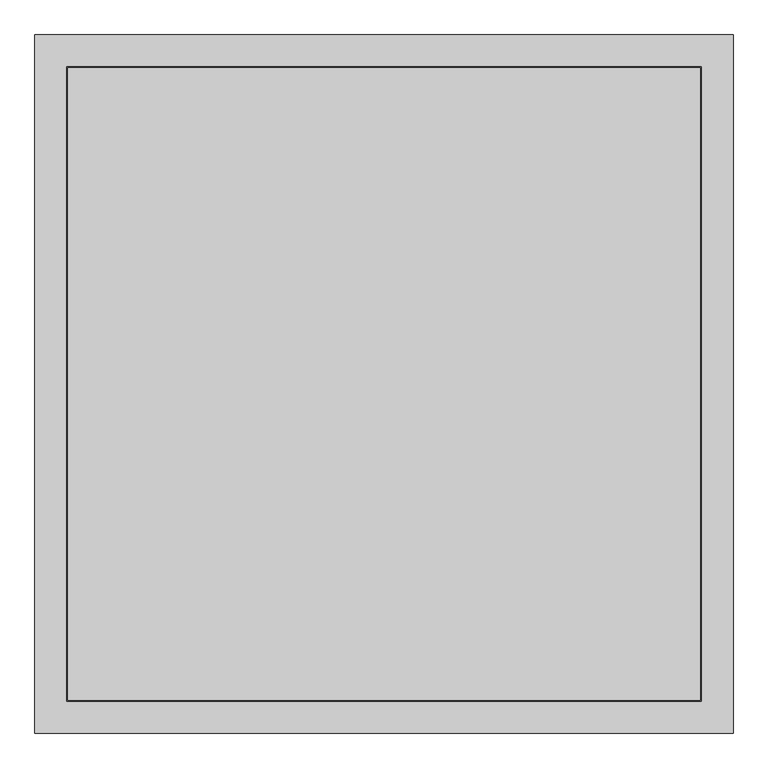
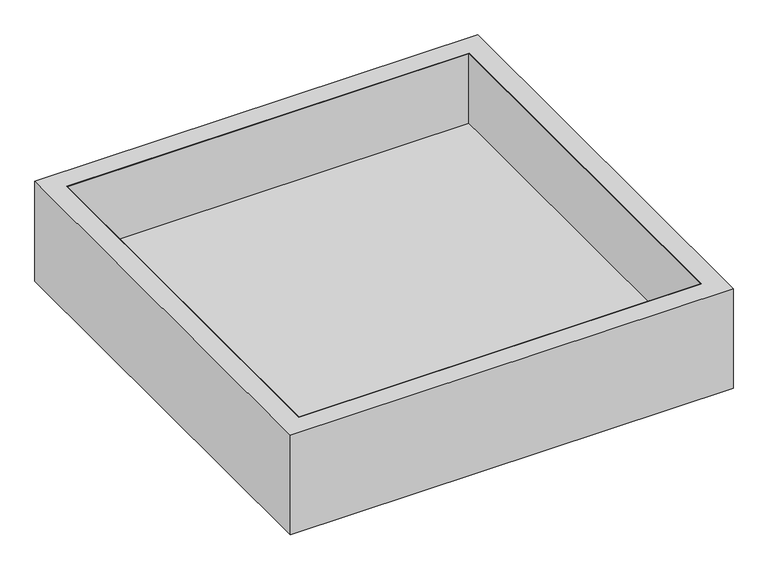
"""IFC4 building model written with IfcOpenShell, lengths in millimetres: proxy geometry."""

from ifc_helpers import new_model, si_unit, origin, place, context, project, spatial, faceted_brep, source, transform, mapped, element, save


def generic_models_cafd1941(model_context):
    return source(origin(), model_context, "Body", "Brep", [
        faceted_brep([(1296.0, -1296.0, 204.0), (1296.0, 1296.0, 204.0), (-1296.0, 1296.0, 204.0), (-1296.0, -1296.0, 204.0), (1300.0, 1300.0, 200.0), (1300.0, -1300.0, 200.0), (-1300.0, -1300.0, 200.0), (-1300.0, 1300.0, 200.0), (-1300.0, 1300.0, 680.0), (1300.0, 1300.0, 680.0), (-1300.0, -1300.0, 680.0), (1300.0, -1300.0, 680.0), (1296.0, 1296.0, 680.0), (1296.0, -1296.0, 680.0), (-1296.0, -1296.0, 680.0), (-1296.0, 1296.0, 680.0)], [[[0, 1, 2, 3]], [[4, 5, 6, 7]], [[4, 7, 8, 9]], [[8, 7, 6, 10]], [[10, 6, 5, 11]], [[11, 5, 4, 9]], [[9, 8, 10, 11], [12, 13, 14, 15]], [[13, 12, 1, 0]], [[14, 13, 0, 3]], [[15, 14, 3, 2]], [[12, 15, 2, 1]]]),
        faceted_brep([(1430.0, 1430.0, 680.0), (-1430.0, 1430.0, 680.0), (-1430.0, -1430.0, 680.0), (1430.0, -1430.0, 680.0), (-1300.0, 1300.0, 680.0), (1300.0, 1300.0, 680.0), (1300.0, -1300.0, 680.0), (-1300.0, -1300.0, 680.0), (1430.0, 1430.0, 0.0), (1430.0, -1430.0, 0.0), (-1430.0, -1430.0, 0.0), (-1430.0, 1430.0, 0.0), (1300.0, 1300.0, 200.0), (-1300.0, 1300.0, 200.0), (-1300.0, -1300.0, 200.0), (1300.0, -1300.0, 200.0)], [[[0, 1, 2, 3], [4, 5, 6, 7]], [[8, 9, 10, 11]], [[1, 0, 8, 11]], [[2, 1, 11, 10]], [[3, 2, 10, 9]], [[0, 3, 9, 8]], [[12, 13, 14, 15]], [[13, 12, 5, 4]], [[14, 13, 4, 7]], [[15, 14, 7, 6]], [[12, 15, 6, 5]]]),
    ])


if __name__ == "__main__":
    model = new_model("IFC4")
    model_context = context("Model", 3, world=origin())
    ifc_project = project(units=[si_unit("LENGTHUNIT", "METRE", prefix="MILLI")], contexts=[model_context])
    site = spatial("IfcSite", under=ifc_project)
    building = spatial("IfcBuilding", under=site)
    placement = place(None, origin())
    generic_models_shape = generic_models_cafd1941(model_context)
    element("IfcBuildingElementProxy", 1, Name="Generic Models", at=placement, inside=building, context=model_context, shape_type="MappedRepresentation", body=[
        mapped(generic_models_shape, transform((0.0, 0.0, 0.0), x_axis=(1.0, 0.0, 0.0), y_axis=(0.0, 1.0, 0.0), z_axis=(0.0, 0.0, 1.0))),
    ])
    save(model, "model.ifc")
